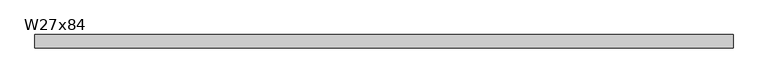
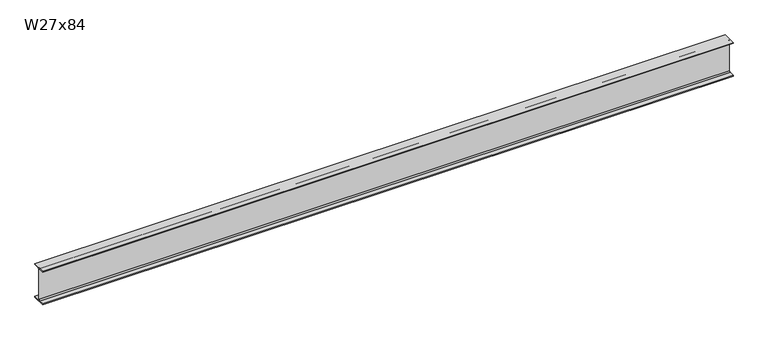
"""IFC4 building model written with IfcOpenShell, lengths in millimetres: beam geometry, W27x84."""

from ifc_helpers import new_model, si_unit, point, frame, frame_2d, origin, place, context, project, spatial, polyline, circle_curve, trimmed, segment, composite_curve, outline, extrude, source, transform, mapped, element, save


def w27x84_df1ebc0c(model_context):
    return source(origin(), model_context, "Body", "SweptSolid", [
        extrude(outline(composite_curve([segment(polyline([(127.0, -322.834), (127.0, -339.09), (-127.0, -339.09), (-127.0, -322.834), (-29.2735, -322.834)]), True, "CONTINUOUS"), segment(trimmed(circle_curve(frame_2d((-29.2735, -299.4025)), 23.4315), [point((-29.2735, -322.834))], [point((-5.842, -299.4025))], True, "CARTESIAN"), True, "CONTINUOUS"), segment(polyline([(-5.842, -299.4025), (-5.842, 299.4025)]), True, "CONTINUOUS"), segment(trimmed(circle_curve(frame_2d((-29.2735, 299.4025)), 23.4315), [point((-5.842, 299.4025))], [point((-29.2735, 322.834))], True, "CARTESIAN"), True, "CONTINUOUS"), segment(polyline([(-29.2735, 322.834), (-127.0, 322.834), (-127.0, 339.09), (127.0, 339.09), (127.0, 322.834), (29.2735, 322.834)]), True, "CONTINUOUS"), segment(trimmed(circle_curve(frame_2d((29.2735, 299.4025)), 23.4315), [point((29.2735, 322.834))], [point((5.842, 299.4025))], True, "CARTESIAN"), True, "CONTINUOUS"), segment(polyline([(5.842, 299.4025), (5.842, -299.4025)]), True, "CONTINUOUS"), segment(trimmed(circle_curve(frame_2d((29.2735, -299.4025)), 23.4315), [point((5.842, -299.4025))], [point((29.2735, -322.834))], True, "CARTESIAN"), True, "CONTINUOUS"), segment(polyline([(29.2735, -322.834), (127.0, -322.834)]), True, "CONTINUOUS")], self_intersect=False)), frame((-6503.019631, 0.0, 0.0), z_axis=(1.0, 0.0, 0.0), x_axis=(0.0, 1.0, 0.0)), (0.0, 0.0, 1.0), 13185.2580795),
    ])


if __name__ == "__main__":
    model = new_model("IFC4")
    model_context = context("Model", 3, world=origin())
    ifc_project = project(units=[si_unit("LENGTHUNIT", "METRE", prefix="MILLI")], contexts=[model_context])
    site = spatial("IfcSite", under=ifc_project)
    building = spatial("IfcBuilding", under=site)
    placement = place(None, origin())
    w27x84_shape = w27x84_df1ebc0c(model_context)
    element("IfcBeam", 1, ObjectType="W27x84", at=placement, inside=building, context=model_context, shape_type="MappedRepresentation", body=[
        mapped(w27x84_shape, transform((0.0, 0.0, 0.0), x_axis=(1.0, 0.0, 0.0), y_axis=(0.0, 1.0, 0.0), z_axis=(0.0, 0.0, 1.0))),
    ])
    save(model, "model.ifc")
